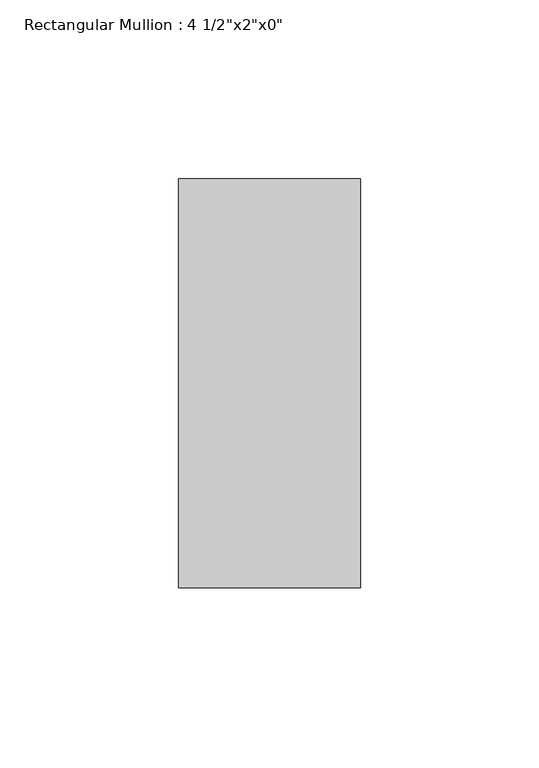
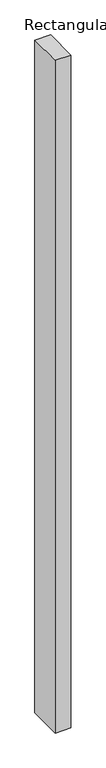
"""IFC4 building model written with IfcOpenShell, lengths in millimetres: member geometry."""

from ifc_helpers import new_model, si_unit, frame, origin, place, context, project, spatial, polyline, outline, extrude, source, transform, mapped, element, save


def member_5b20c9cc(model_context):
    return source(origin(), model_context, "Body", "SweptSolid", [
        extrude(outline(polyline([(0.0, 57.15), (0.0, -57.15), (-50.8, -57.15), (-50.8, 57.15), (0.0, 57.15)])), frame((0.0, 0.0, -2304.349441), z_axis=(0.0, 0.0, 1.0), x_axis=(1.0, 0.0, 0.0)), (0.0, 0.0, 1.0), 2304.349441),
    ])


if __name__ == "__main__":
    model = new_model("IFC4")
    model_context = context("Model", 3, world=origin())
    ifc_project = project(units=[si_unit("LENGTHUNIT", "METRE", prefix="MILLI")], contexts=[model_context])
    site = spatial("IfcSite", under=ifc_project)
    building = spatial("IfcBuilding", under=site)
    placement = place(None, origin())
    member_shape = member_5b20c9cc(model_context)
    element("IfcMember", 1, ObjectType="Rectangular Mullion : 4 1/2\"x2\"x0\"", at=placement, inside=building, context=model_context, shape_type="MappedRepresentation", body=[
        mapped(member_shape, transform((0.0, 0.0, 0.0), x_axis=(1.0, 0.0, 0.0), y_axis=(0.0, 1.0, 0.0), z_axis=(0.0, 0.0, 1.0))),
    ])
    save(model, "model.ifc")
